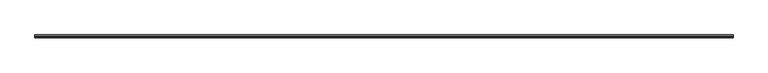
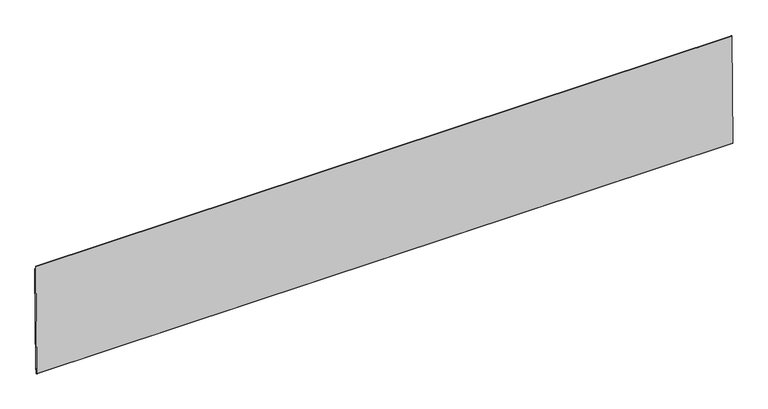
"""IFC4 building model written with IfcOpenShell, lengths in millimetres: proxy geometry."""

from ifc_helpers import new_model, si_unit, frame, origin, place, context, project, spatial, polyline, outline, extrude, source, transform, mapped, element, save


def generic_models_91aa1570(model_context):
    return source(origin(), model_context, "Body", "SweptSolid", [
        extrude(outline(polyline([(2.6998977, 592.7716464), (-2.396998, 129.2496683), (-4.7781041, 129.275851), (-4.6908285, 137.2128712), (-7.27036, 137.2412357), (-7.5321869, 113.4301752), (-9.5025993, 113.4518419), (-10.4975078, 114.4688737), (-5.0736329, 607.7269922), (-4.0566011, 608.7219007), (-2.6751156, 608.7067098), (-2.8496668, 592.8326695), (2.6998977, 592.7716464)])), frame((-1835.15, 0.0, 0.0), z_axis=(1.0, 0.0, 0.0), x_axis=(0.0, 1.0, 0.0)), (0.0, 0.0, 1.0), 3054.35),
    ])


if __name__ == "__main__":
    model = new_model("IFC4")
    model_context = context("Model", 3, world=origin())
    ifc_project = project(units=[si_unit("LENGTHUNIT", "METRE", prefix="MILLI")], contexts=[model_context])
    site = spatial("IfcSite", under=ifc_project)
    building = spatial("IfcBuilding", under=site)
    placement = place(None, origin())
    generic_models_shape = generic_models_91aa1570(model_context)
    element("IfcBuildingElementProxy", 1, Name="Generic Models", at=placement, inside=building, context=model_context, shape_type="MappedRepresentation", body=[
        mapped(generic_models_shape, transform((0.0, 0.0, 0.0), x_axis=(1.0, 0.0, 0.0), y_axis=(0.0, 1.0, 0.0), z_axis=(0.0, 0.0, 1.0))),
    ])
    save(model, "model.ifc")
